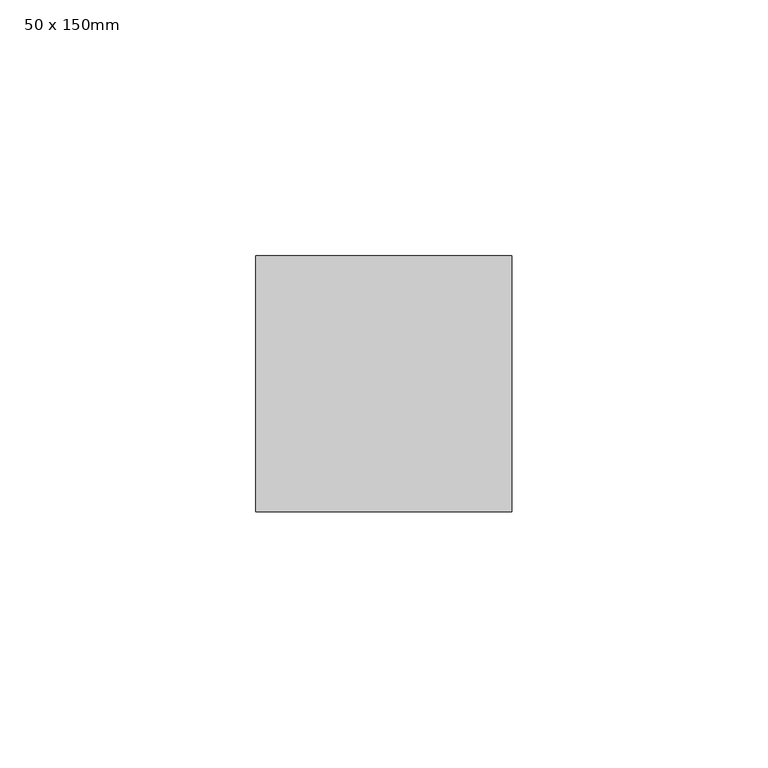
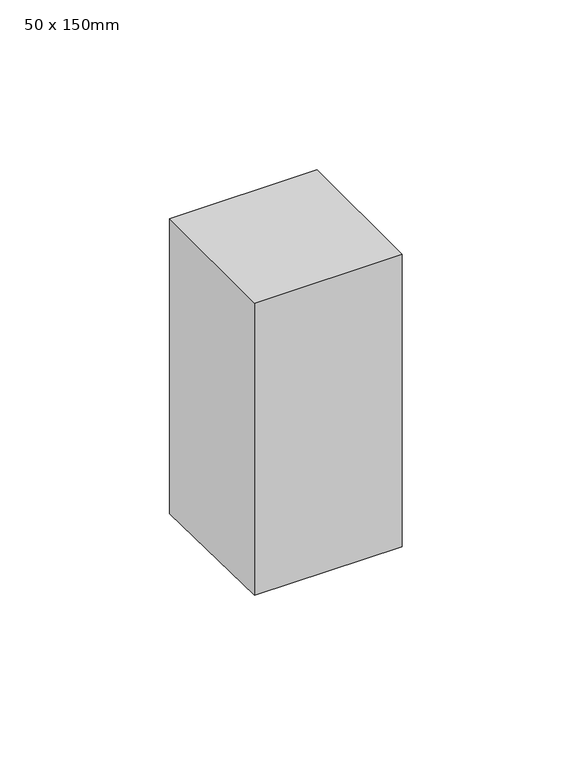
"""IFC4 building model written with IfcOpenShell, lengths in millimetres: member geometry, 50 x 150mm."""

from ifc_helpers import new_model, si_unit, frame, origin, place, context, project, spatial, polyline, outline, extrude, source, transform, mapped, element, save


def member_50_x_150mm_fec40621(model_context):
    return source(origin(), model_context, "Body", "SweptSolid", [
        extrude(outline(polyline([(-25.0, 0.0), (25.0, 0.0), (25.0, -105.9035277), (-25.0, -104.9057524), (-25.0, 0.0)])), frame((-25.0, 0.0, 0.0), z_axis=(1.0, 0.0, 0.0), x_axis=(0.0, 1.0, 0.0)), (0.0, 0.0, 1.0), 50.0),
    ])


if __name__ == "__main__":
    model = new_model("IFC4")
    model_context = context("Model", 3, world=origin())
    ifc_project = project(units=[si_unit("LENGTHUNIT", "METRE", prefix="MILLI")], contexts=[model_context])
    site = spatial("IfcSite", under=ifc_project)
    building = spatial("IfcBuilding", under=site)
    placement = place(None, origin())
    member_50_x_150mm_shape = member_50_x_150mm_fec40621(model_context)
    element("IfcMember", 1, ObjectType="50 x 150mm", at=placement, inside=building, context=model_context, shape_type="MappedRepresentation", body=[
        mapped(member_50_x_150mm_shape, transform((0.0, 0.0, 0.0), x_axis=(1.0, 0.0, 0.0), y_axis=(0.0, 1.0, 0.0), z_axis=(0.0, 0.0, 1.0))),
    ])
    save(model, "model.ifc")
